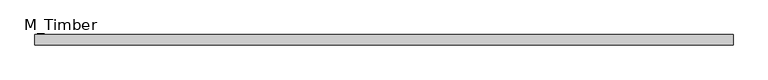
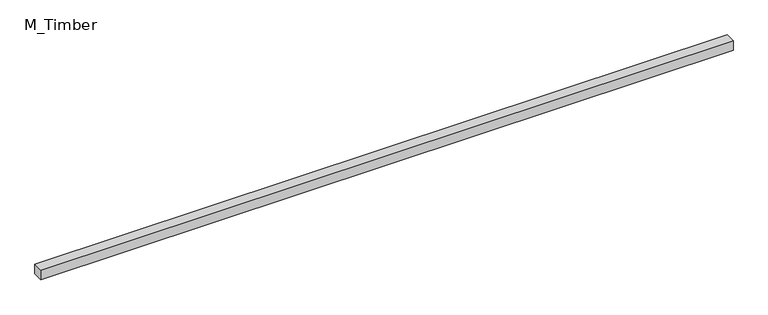
"""IFC4 building model written with IfcOpenShell, lengths in millimetres: beam geometry, M_Timber."""

import ifcopenshell
import ifcopenshell.guid

model = None  # the IFC model being written
_history = None  # IfcOwnerHistory: only IFC2X3 demands one
_inside = {}  # id of a spatial element -> (the spatial element, [elements in it])
_under = {}  # id of a project, library or spatial element -> (it, [spatial elements below it])
_declared = {}  # id of a project -> (the project, [libraries it declares])
_typed = {}  # id of a type object -> (the type object, [elements of that type])
_made_of = {}  # id of a material, layer set ... -> (it, [elements and type objects made of it])


def new_model(schema):
    """Start an empty IFC model of exactly this schema.

    Asked for "IFC4X3", IfcOpenShell would pick the latest addendum, in which some entities
    have other attributes; the version numbers below select the first issue.
    IFC2X3 requires an IfcOwnerHistory on every rooted entity: one is made here for all.
    """
    global model, _history
    if schema == "IFC4X3":
        model = ifcopenshell.file(schema_version=(4, 3, 0, 0))
    else:
        model = ifcopenshell.file(schema=schema)
    _inside.clear()
    _under.clear()
    _declared.clear()
    _typed.clear()
    _made_of.clear()
    _history = None
    if model.schema == "IFC2X3":
        org = make("IfcOrganization", Name="unknown")
        user = make(
            "IfcPersonAndOrganization",
            ThePerson=make("IfcPerson", FamilyName="unknown"),
            TheOrganization=org,
        )
        app = make(
            "IfcApplication",
            ApplicationDeveloper=org,
            Version="unknown",
            ApplicationFullName="unknown",
            ApplicationIdentifier="unknown",
        )
        _history = make(
            "IfcOwnerHistory",
            OwningUser=user,
            OwningApplication=app,
            ChangeAction="ADDED",
            CreationDate=0,
        )
    return model


def make(cls, **values):
    """One entity of the class cls with the attributes given. An attribute that is None is left unset."""
    return model.create_entity(
        cls, **{name: value for name, value in values.items() if value is not None}
    )


def rooted(cls, **values):
    """An entity with a GlobalId (a new one), such as an element, a storey or a relation."""
    return make(cls, GlobalId=ifcopenshell.guid.new(), OwnerHistory=_history, **values)


def si_unit(unit_type, name, prefix=None):
    """IfcSIUnit, for example si_unit("LENGTHUNIT", "METRE", prefix="MILLI")."""
    return make("IfcSIUnit", UnitType=unit_type, Prefix=prefix, Name=name)


def assignment(units):
    """IfcUnitAssignment: the units of a project."""
    return None if units is None else make("IfcUnitAssignment", Units=units)


def point(xyz):
    """IfcCartesianPoint."""
    return None if xyz is None else make("IfcCartesianPoint", Coordinates=xyz)


def direction(xyz):
    """IfcDirection."""
    return None if xyz is None else make("IfcDirection", DirectionRatios=xyz)


def frame(location, z_axis=None, x_axis=None):
    """IfcAxis2Placement3D, a coordinate frame: its origin and axes. An axis left out is left unset."""
    return make(
        "IfcAxis2Placement3D",
        Location=point(location),
        Axis=direction(z_axis),
        RefDirection=direction(x_axis),
    )


def origin():
    """The frame at (0, 0, 0) with its axes left unset."""
    return frame((0.0, 0.0, 0.0))


def place(relative_to, where):
    """IfcLocalPlacement: puts the frame where relative to a parent placement (None: the world)."""
    return make(
        "IfcLocalPlacement", PlacementRelTo=relative_to, RelativePlacement=where
    )


def context(
    kind, dimensions, precision=None, world=None, true_north=None, identifier=None
):
    """IfcGeometricRepresentationContext, for example the 3D "Model" context."""
    return make(
        "IfcGeometricRepresentationContext",
        ContextIdentifier=identifier,
        ContextType=kind,
        CoordinateSpaceDimension=dimensions,
        Precision=precision,
        WorldCoordinateSystem=world,
        TrueNorth=true_north,
    )


def project(units=None, contexts=None):
    """IfcProject with its units and contexts."""
    return rooted(
        "IfcProject",
        Name="project",
        RepresentationContexts=contexts,
        UnitsInContext=assignment(units),
    )


def spatial(cls, under=None, at=None, **own):
    """A site, building, storey or space (cls), placed at a placement, below another one or the project."""
    s = rooted(cls, ObjectPlacement=at, **own)
    if under is not None:
        _under.setdefault(under.id(), (under, []))[1].append(s)
    return s


def polyline(points):
    """IfcPolyline through the points."""
    return make("IfcPolyline", Points=[point(p) for p in points])


def outline(outer, holes=None, kind="AREA"):
    """IfcArbitraryClosedProfileDef: a profile drawn as a closed curve; with holes, ...WithVoids."""
    if holes is None:
        return make("IfcArbitraryClosedProfileDef", ProfileType=kind, OuterCurve=outer)
    return make(
        "IfcArbitraryProfileDefWithVoids",
        ProfileType=kind,
        OuterCurve=outer,
        InnerCurves=holes,
    )


def extrude(swept, where, along, depth):
    """IfcExtrudedAreaSolid: the profile swept, set in the frame where, extruded along a direction by depth."""
    return make(
        "IfcExtrudedAreaSolid",
        SweptArea=swept,
        Position=where,
        ExtrudedDirection=direction(along),
        Depth=depth,
    )


def shape(context_of_items, identifier, shape_type, items):
    """IfcShapeRepresentation: the items that make up one representation, for example the "Body"."""
    return make(
        "IfcShapeRepresentation",
        ContextOfItems=context_of_items,
        RepresentationIdentifier=identifier,
        RepresentationType=shape_type,
        Items=items,
    )


def source(mapping_origin, context_of_items, identifier, shape_type, items):
    """IfcRepresentationMap: a shape defined once, which mapped items show again and again."""
    return make(
        "IfcRepresentationMap",
        MappingOrigin=mapping_origin,
        MappedRepresentation=shape(context_of_items, identifier, shape_type, items),
    )


def transform(
    local_origin,
    x_axis=None,
    y_axis=None,
    z_axis=None,
    scale=None,
    scale2=None,
    scale3=None,
    uniform=True,
):
    """IfcCartesianTransformationOperator3D, or its non-uniform kind. x_axis, y_axis, z_axis: its Axis1, 2, 3."""
    if uniform:
        return make(
            "IfcCartesianTransformationOperator3D",
            Axis1=direction(x_axis),
            Axis2=direction(y_axis),
            LocalOrigin=point(local_origin),
            Scale=scale,
            Axis3=direction(z_axis),
        )
    return make(
        "IfcCartesianTransformationOperator3DnonUniform",
        Axis1=direction(x_axis),
        Axis2=direction(y_axis),
        LocalOrigin=point(local_origin),
        Scale=scale,
        Axis3=direction(z_axis),
        Scale2=scale2,
        Scale3=scale3,
    )


def mapped(mapping_source, mapping_target):
    """IfcMappedItem: shows the shape of a source again, moved by a transform."""
    return make(
        "IfcMappedItem", MappingSource=mapping_source, MappingTarget=mapping_target
    )


def made_of(thing, what):
    """Note that an element or type object is made of a material, layer set ...; save() writes the relation."""
    if what is not None:
        _made_of.setdefault(what.id(), (what, []))[1].append(thing)
    return thing


def element(
    cls,
    number,
    at=None,
    inside=None,
    cuts=None,
    type_object=None,
    material=None,
    context=None,
    identifier="Body",
    shape_type=None,
    held_by="IfcProductDefinitionShape",
    body=None,
    shapes=None,
    **own,
):
    """One element of the class cls, such as IfcWall. Its Tag is "e" and its number.

    at: its placement. inside: the storey or other place that contains it. cuts: it is an
    opening in that element (IfcRelVoidsElement). A single representation is given by context,
    identifier, shape_type and body (its items); several are given by shapes. held_by: the class
    of the entity that holds the representations. save() writes the other relations.
    """
    e = rooted(cls, Tag="e%d" % number, ObjectPlacement=at, **own)
    if body is not None:
        shapes = [shape(context, identifier, shape_type, body)]
    if shapes is not None:
        e.Representation = make(held_by, Representations=shapes)
    if inside is not None:
        _inside.setdefault(inside.id(), (inside, []))[1].append(e)
    if cuts is not None:
        rooted(
            "IfcRelVoidsElement", RelatingBuildingElement=cuts, RelatedOpeningElement=e
        )
    if type_object is not None:
        _typed.setdefault(type_object.id(), (type_object, []))[1].append(e)
    return made_of(e, material)


def aggregate(whole, parts):
    """IfcRelAggregates: a whole, such as a stair, and the parts it consists of."""
    return rooted("IfcRelAggregates", RelatingObject=whole, RelatedObjects=parts)


def save(model, path):
    """Write the relations noted so far, then the file.

    IfcRelAggregates (storeys below a building ...), IfcRelContainedInSpatialStructure (elements
    in a storey), IfcRelDefinesByType, IfcRelAssociatesMaterial and IfcRelDeclares: one each for
    every whole, place, type object, material and project.
    """
    for whole, parts in _under.values():
        aggregate(whole, parts)
    for where, things in _inside.values():
        rooted(
            "IfcRelContainedInSpatialStructure",
            RelatedElements=things,
            RelatingStructure=where,
        )
    for kind, things in _typed.values():
        rooted("IfcRelDefinesByType", RelatedObjects=things, RelatingType=kind)
    for what, things in _made_of.values():
        rooted("IfcRelAssociatesMaterial", RelatedObjects=things, RelatingMaterial=what)
    for by, libraries in _declared.values():
        rooted("IfcRelDeclares", RelatingContext=by, RelatedDefinitions=libraries)
    model.write(path)


def m_timber_39dfcc8d(model_context):
    return source(origin(), model_context, "Body", "SweptSolid", [
        extrude(outline(polyline([(1359.7026271, 20.0), (1359.7026271, -20.0), (-1359.7026271, -20.0), (-1359.7026271, 20.0), (1359.7026271, 20.0)])), frame((0.0, 0.0, -20.0), z_axis=(0.0, 0.0, 1.0), x_axis=(1.0, 0.0, 0.0)), (0.0, 0.0, 1.0), 40.0),
    ])


if __name__ == "__main__":
    model = new_model("IFC4")
    model_context = context("Model", 3, world=origin())
    ifc_project = project(units=[si_unit("LENGTHUNIT", "METRE", prefix="MILLI")], contexts=[model_context])
    site = spatial("IfcSite", under=ifc_project)
    building = spatial("IfcBuilding", under=site)
    placement = place(None, origin())
    m_timber_shape = m_timber_39dfcc8d(model_context)
    element("IfcBeam", 1, ObjectType="M_Timber", at=placement, inside=building, context=model_context, shape_type="MappedRepresentation", body=[
        mapped(m_timber_shape, transform((0.0, 0.0, 0.0), x_axis=(1.0, 0.0, 0.0), y_axis=(0.0, 1.0, 0.0), z_axis=(0.0, 0.0, 1.0))),
    ])
    save(model, "model.ifc")
